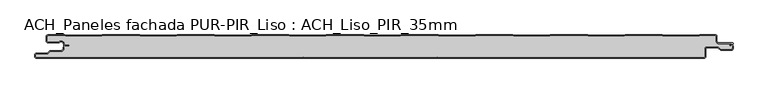
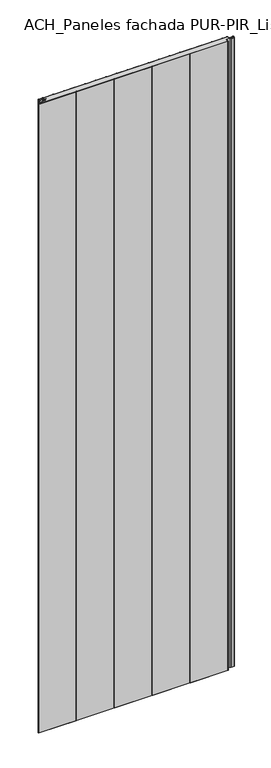
"""IFC4 building model written with IfcOpenShell, lengths in millimetres: plate geometry, ACH_Paneles fachada PUR-PIR_Liso : ACH_Liso_PIR_35mm."""

import ifcopenshell
import ifcopenshell.guid

model = None  # the IFC model being written
_history = None  # IfcOwnerHistory: only IFC2X3 demands one
_inside = {}  # id of a spatial element -> (the spatial element, [elements in it])
_under = {}  # id of a project, library or spatial element -> (it, [spatial elements below it])
_declared = {}  # id of a project -> (the project, [libraries it declares])
_typed = {}  # id of a type object -> (the type object, [elements of that type])
_made_of = {}  # id of a material, layer set ... -> (it, [elements and type objects made of it])


def new_model(schema):
    """Start an empty IFC model of exactly this schema.

    Asked for "IFC4X3", IfcOpenShell would pick the latest addendum, in which some entities
    have other attributes; the version numbers below select the first issue.
    IFC2X3 requires an IfcOwnerHistory on every rooted entity: one is made here for all.
    """
    global model, _history
    if schema == "IFC4X3":
        model = ifcopenshell.file(schema_version=(4, 3, 0, 0))
    else:
        model = ifcopenshell.file(schema=schema)
    _inside.clear()
    _under.clear()
    _declared.clear()
    _typed.clear()
    _made_of.clear()
    _history = None
    if model.schema == "IFC2X3":
        org = make("IfcOrganization", Name="unknown")
        user = make(
            "IfcPersonAndOrganization",
            ThePerson=make("IfcPerson", FamilyName="unknown"),
            TheOrganization=org,
        )
        app = make(
            "IfcApplication",
            ApplicationDeveloper=org,
            Version="unknown",
            ApplicationFullName="unknown",
            ApplicationIdentifier="unknown",
        )
        _history = make(
            "IfcOwnerHistory",
            OwningUser=user,
            OwningApplication=app,
            ChangeAction="ADDED",
            CreationDate=0,
        )
    return model


def make(cls, **values):
    """One entity of the class cls with the attributes given. An attribute that is None is left unset."""
    return model.create_entity(
        cls, **{name: value for name, value in values.items() if value is not None}
    )


def rooted(cls, **values):
    """An entity with a GlobalId (a new one), such as an element, a storey or a relation."""
    return make(cls, GlobalId=ifcopenshell.guid.new(), OwnerHistory=_history, **values)


def si_unit(unit_type, name, prefix=None):
    """IfcSIUnit, for example si_unit("LENGTHUNIT", "METRE", prefix="MILLI")."""
    return make("IfcSIUnit", UnitType=unit_type, Prefix=prefix, Name=name)


def assignment(units):
    """IfcUnitAssignment: the units of a project."""
    return None if units is None else make("IfcUnitAssignment", Units=units)


def point(xyz):
    """IfcCartesianPoint."""
    return None if xyz is None else make("IfcCartesianPoint", Coordinates=xyz)


def direction(xyz):
    """IfcDirection."""
    return None if xyz is None else make("IfcDirection", DirectionRatios=xyz)


def frame(location, z_axis=None, x_axis=None):
    """IfcAxis2Placement3D, a coordinate frame: its origin and axes. An axis left out is left unset."""
    return make(
        "IfcAxis2Placement3D",
        Location=point(location),
        Axis=direction(z_axis),
        RefDirection=direction(x_axis),
    )


def frame_2d(location, x_axis=None):
    """IfcAxis2Placement2D, a coordinate frame in the plane: its origin and x axis."""
    return make(
        "IfcAxis2Placement2D", Location=point(location), RefDirection=direction(x_axis)
    )


def origin():
    """The frame at (0, 0, 0) with its axes left unset."""
    return frame((0.0, 0.0, 0.0))


def origin_with_axes():
    """The frame at (0, 0, 0) with the z axis (0, 0, 1) and the x axis (1, 0, 0) written out."""
    return frame((0.0, 0.0, 0.0), z_axis=(0.0, 0.0, 1.0), x_axis=(1.0, 0.0, 0.0))


def place(relative_to, where):
    """IfcLocalPlacement: puts the frame where relative to a parent placement (None: the world)."""
    return make(
        "IfcLocalPlacement", PlacementRelTo=relative_to, RelativePlacement=where
    )


def context(
    kind, dimensions, precision=None, world=None, true_north=None, identifier=None
):
    """IfcGeometricRepresentationContext, for example the 3D "Model" context."""
    return make(
        "IfcGeometricRepresentationContext",
        ContextIdentifier=identifier,
        ContextType=kind,
        CoordinateSpaceDimension=dimensions,
        Precision=precision,
        WorldCoordinateSystem=world,
        TrueNorth=true_north,
    )


def project(units=None, contexts=None):
    """IfcProject with its units and contexts."""
    return rooted(
        "IfcProject",
        Name="project",
        RepresentationContexts=contexts,
        UnitsInContext=assignment(units),
    )


def spatial(cls, under=None, at=None, **own):
    """A site, building, storey or space (cls), placed at a placement, below another one or the project."""
    s = rooted(cls, ObjectPlacement=at, **own)
    if under is not None:
        _under.setdefault(under.id(), (under, []))[1].append(s)
    return s


def polyline(points):
    """IfcPolyline through the points."""
    return make("IfcPolyline", Points=[point(p) for p in points])


def circle_curve(where, radius):
    """IfcCircle in the frame where."""
    return make("IfcCircle", Position=where, Radius=radius)


def trimmed(basis, trim1, trim2, sense, master):
    """IfcTrimmedCurve: the piece of a basis curve between two trims."""
    return make(
        "IfcTrimmedCurve",
        BasisCurve=basis,
        Trim1=trim1,
        Trim2=trim2,
        SenseAgreement=sense,
        MasterRepresentation=master,
    )


def segment(curve, same_sense, transition):
    """IfcCompositeCurveSegment."""
    return make(
        "IfcCompositeCurveSegment",
        Transition=transition,
        SameSense=same_sense,
        ParentCurve=curve,
    )


def composite_curve(segments, self_intersect=None):
    """IfcCompositeCurve: segments joined end to end."""
    return make("IfcCompositeCurve", Segments=segments, SelfIntersect=self_intersect)


def outline(outer, holes=None, kind="AREA"):
    """IfcArbitraryClosedProfileDef: a profile drawn as a closed curve; with holes, ...WithVoids."""
    if holes is None:
        return make("IfcArbitraryClosedProfileDef", ProfileType=kind, OuterCurve=outer)
    return make(
        "IfcArbitraryProfileDefWithVoids",
        ProfileType=kind,
        OuterCurve=outer,
        InnerCurves=holes,
    )


def extrude(swept, where, along, depth):
    """IfcExtrudedAreaSolid: the profile swept, set in the frame where, extruded along a direction by depth."""
    return make(
        "IfcExtrudedAreaSolid",
        SweptArea=swept,
        Position=where,
        ExtrudedDirection=direction(along),
        Depth=depth,
    )


def shape(context_of_items, identifier, shape_type, items):
    """IfcShapeRepresentation: the items that make up one representation, for example the "Body"."""
    return make(
        "IfcShapeRepresentation",
        ContextOfItems=context_of_items,
        RepresentationIdentifier=identifier,
        RepresentationType=shape_type,
        Items=items,
    )


def source(mapping_origin, context_of_items, identifier, shape_type, items):
    """IfcRepresentationMap: a shape defined once, which mapped items show again and again."""
    return make(
        "IfcRepresentationMap",
        MappingOrigin=mapping_origin,
        MappedRepresentation=shape(context_of_items, identifier, shape_type, items),
    )


def transform(
    local_origin,
    x_axis=None,
    y_axis=None,
    z_axis=None,
    scale=None,
    scale2=None,
    scale3=None,
    uniform=True,
):
    """IfcCartesianTransformationOperator3D, or its non-uniform kind. x_axis, y_axis, z_axis: its Axis1, 2, 3."""
    if uniform:
        return make(
            "IfcCartesianTransformationOperator3D",
            Axis1=direction(x_axis),
            Axis2=direction(y_axis),
            LocalOrigin=point(local_origin),
            Scale=scale,
            Axis3=direction(z_axis),
        )
    return make(
        "IfcCartesianTransformationOperator3DnonUniform",
        Axis1=direction(x_axis),
        Axis2=direction(y_axis),
        LocalOrigin=point(local_origin),
        Scale=scale,
        Axis3=direction(z_axis),
        Scale2=scale2,
        Scale3=scale3,
    )


def mapped(mapping_source, mapping_target):
    """IfcMappedItem: shows the shape of a source again, moved by a transform."""
    return make(
        "IfcMappedItem", MappingSource=mapping_source, MappingTarget=mapping_target
    )


def made_of(thing, what):
    """Note that an element or type object is made of a material, layer set ...; save() writes the relation."""
    if what is not None:
        _made_of.setdefault(what.id(), (what, []))[1].append(thing)
    return thing


def element(
    cls,
    number,
    at=None,
    inside=None,
    cuts=None,
    type_object=None,
    material=None,
    context=None,
    identifier="Body",
    shape_type=None,
    held_by="IfcProductDefinitionShape",
    body=None,
    shapes=None,
    **own,
):
    """One element of the class cls, such as IfcWall. Its Tag is "e" and its number.

    at: its placement. inside: the storey or other place that contains it. cuts: it is an
    opening in that element (IfcRelVoidsElement). A single representation is given by context,
    identifier, shape_type and body (its items); several are given by shapes. held_by: the class
    of the entity that holds the representations. save() writes the other relations.
    """
    e = rooted(cls, Tag="e%d" % number, ObjectPlacement=at, **own)
    if body is not None:
        shapes = [shape(context, identifier, shape_type, body)]
    if shapes is not None:
        e.Representation = make(held_by, Representations=shapes)
    if inside is not None:
        _inside.setdefault(inside.id(), (inside, []))[1].append(e)
    if cuts is not None:
        rooted(
            "IfcRelVoidsElement", RelatingBuildingElement=cuts, RelatedOpeningElement=e
        )
    if type_object is not None:
        _typed.setdefault(type_object.id(), (type_object, []))[1].append(e)
    return made_of(e, material)


def aggregate(whole, parts):
    """IfcRelAggregates: a whole, such as a stair, and the parts it consists of."""
    return rooted("IfcRelAggregates", RelatingObject=whole, RelatedObjects=parts)


def save(model, path):
    """Write the relations noted so far, then the file.

    IfcRelAggregates (storeys below a building ...), IfcRelContainedInSpatialStructure (elements
    in a storey), IfcRelDefinesByType, IfcRelAssociatesMaterial and IfcRelDeclares: one each for
    every whole, place, type object, material and project.
    """
    for whole, parts in _under.values():
        aggregate(whole, parts)
    for where, things in _inside.values():
        rooted(
            "IfcRelContainedInSpatialStructure",
            RelatedElements=things,
            RelatingStructure=where,
        )
    for kind, things in _typed.values():
        rooted("IfcRelDefinesByType", RelatedObjects=things, RelatingType=kind)
    for what, things in _made_of.values():
        rooted("IfcRelAssociatesMaterial", RelatedObjects=things, RelatingMaterial=what)
    for by, libraries in _declared.values():
        rooted("IfcRelDeclares", RelatingContext=by, RelatedDefinitions=libraries)
    model.write(path)


def ach_paneles_fachada_pur_pir_liso_ach_liso_pir_35mm_45ba4f77(model_context):
    return source(origin(), model_context, "Body", "SweptSolid", [
        extrude(outline(composite_curve([segment(trimmed(circle_curve(frame_2d((-514.5, -32.5)), 2.5), [point((-514.5, -35.0))], [point((-517.0, -32.5))], False, "CARTESIAN"), True, "CONTINUOUS"), segment(polyline([(-517.0, -32.5), (-517.0, -29.5)]), True, "CONTINUOUS"), segment(trimmed(circle_curve(frame_2d((-514.5, -29.5)), 2.5), [point((-517.0, -29.5))], [point((-514.5, -27.0))], False, "CARTESIAN"), True, "CONTINUOUS"), segment(polyline([(-514.5, -27.0), (-498.5, -27.0), (-494.75, -23.25), (-477.0, -23.25)]), True, "CONTINUOUS"), segment(trimmed(circle_curve(frame_2d((-477.0, -21.25)), 2.0), [point((-477.0, -23.25))], [point((-475.0, -21.25))], True, "CARTESIAN"), True, "CONTINUOUS"), segment(polyline([(-475.0, -21.25), (-475.0, -18.25), (-474.2, -18.25), (-474.2, -21.25)]), True, "CONTINUOUS"), segment(trimmed(circle_curve(frame_2d((-477.0, -21.25)), 2.8), [point((-474.2, -21.25))], [point((-477.0, -24.05))], False, "CARTESIAN"), True, "CONTINUOUS"), segment(polyline([(-477.0, -24.05), (-494.4186292, -24.05), (-498.1686292, -27.8), (-514.5, -27.8)]), True, "CONTINUOUS"), segment(trimmed(circle_curve(frame_2d((-514.5, -29.5)), 1.7), [point((-514.5, -27.8))], [point((-516.2, -29.5))], True, "CARTESIAN"), True, "CONTINUOUS"), segment(polyline([(-516.2, -29.5), (-516.2, -32.5)]), True, "CONTINUOUS"), segment(trimmed(circle_curve(frame_2d((-514.5, -32.5)), 1.7), [point((-516.2, -32.5))], [point((-514.5, -34.2))], True, "CARTESIAN"), True, "CONTINUOUS"), segment(polyline([(-514.5, -34.2), (480.5, -34.2)]), True, "CONTINUOUS"), segment(trimmed(circle_curve(frame_2d((480.5, -32.5)), 1.7), [point((480.5, -34.2))], [point((482.2, -32.5))], True, "CARTESIAN"), True, "CONTINUOUS"), segment(polyline([(482.2, -32.5), (482.2, -21.0)]), True, "CONTINUOUS"), segment(trimmed(circle_curve(frame_2d((485.0, -21.0)), 2.8), [point((482.2, -21.0))], [point((485.0, -18.2))], False, "CARTESIAN"), True, "CONTINUOUS"), segment(polyline([(485.0, -18.2), (501.7886271, -18.2), (505.8492873, -21.95), (521.5, -21.95)]), True, "CONTINUOUS"), segment(trimmed(circle_curve(frame_2d((521.5, -20.25)), 1.7), [point((521.5, -21.95))], [point((523.2, -20.25))], True, "CARTESIAN"), True, "CONTINUOUS"), segment(polyline([(523.2, -20.25), (523.2, -16.75), (524.0, -16.75), (524.0, -20.25)]), True, "CONTINUOUS"), segment(trimmed(circle_curve(frame_2d((521.5, -20.25)), 2.5), [point((524.0, -20.25))], [point((521.5, -22.75))], False, "CARTESIAN"), True, "CONTINUOUS"), segment(polyline([(521.5, -22.75), (505.5363961, -22.75), (501.4757359, -19.0), (485.0, -19.0)]), True, "CONTINUOUS"), segment(trimmed(circle_curve(frame_2d((485.0, -21.0)), 2.0), [point((485.0, -19.0))], [point((483.0, -21.0))], True, "CARTESIAN"), True, "CONTINUOUS"), segment(polyline([(483.0, -21.0), (483.0, -32.5)]), True, "CONTINUOUS"), segment(trimmed(circle_curve(frame_2d((480.5, -32.5)), 2.5), [point((483.0, -32.5))], [point((480.5, -35.0))], False, "CARTESIAN"), True, "CONTINUOUS"), segment(polyline([(480.5, -35.0), (-514.5, -35.0)]), True, "CONTINUOUS")], self_intersect=False)), origin_with_axes(), (0.0, 0.0, 1.0), 3500.0),
        extrude(outline(composite_curve([segment(trimmed(circle_curve(frame_2d((-497.49499, -9.0180361)), 2.50501), [point((-497.49499, -11.5230461))], [point((-500.0, -9.0180361))], False, "CARTESIAN"), True, "CONTINUOUS"), segment(polyline([(-500.0, -9.0180361), (-500.0, -2.50501)]), True, "CONTINUOUS"), segment(trimmed(circle_curve(frame_2d((-497.49499, -2.50501)), 2.50501), [point((-500.0, -2.50501))], [point((-497.49499, 0.0))], False, "CARTESIAN"), True, "CONTINUOUS"), segment(polyline([(-497.49499, 0.0), (-472.2103007, 0.0), (-471.028188, -0.6012024), (-417.6391467, -0.6012024), (-416.457034, 0.0), (-360.8776353, 0.0), (-359.6955227, -0.6012024), (-306.3064814, -0.6012024), (-305.1243687, 0.0), (-249.54497, 0.0), (-248.3628573, -0.6012024), (-194.973816, -0.6012024), (-193.7917033, 0.0), (-138.2123047, 0.0), (-137.030192, -0.6012024), (-83.6411507, -0.6012024), (-82.459038, 0.0), (-26.8796393, 0.0), (-25.6975267, -0.6012024), (27.6915146, -0.6012024), (28.8736273, 0.0), (84.453026, 0.0), (85.6351387, -0.6012024), (139.02418, -0.6012024), (140.2062927, 0.0), (195.7856913, 0.0), (196.967804, -0.6012024), (250.3568453, -0.6012024), (251.538958, 0.0), (307.1183566, 0.0), (308.3004693, -0.6012024), (361.6895106, -0.6012024), (362.8716233, 0.0), (418.451022, 0.0), (419.6331347, -0.6012024), (473.022176, -0.6012024), (474.2042886, 0.0), (497.49499, 0.0)]), True, "CONTINUOUS"), segment(trimmed(circle_curve(frame_2d((497.49499, -2.50501)), 2.50501), [point((497.49499, 0.0))], [point((500.0, -2.50501))], False, "CARTESIAN"), True, "CONTINUOUS"), segment(polyline([(500.0, -2.50501), (500.0, -10.0200401)]), True, "CONTINUOUS"), segment(trimmed(circle_curve(frame_2d((502.004008, -10.0200401)), 2.004008), [point((500.0, -10.0200401))], [point((502.004008, -12.0240481))], True, "CARTESIAN"), True, "CONTINUOUS"), segment(polyline([(502.004008, -12.0240481), (522.96027, -12.0240481)]), True, "CONTINUOUS"), segment(trimmed(circle_curve(frame_2d((522.96027, -13.0490481)), 1.025), [point((522.96027, -12.0240481))], [point((523.47277, -13.9367241))], False, "CARTESIAN"), True, "CONTINUOUS"), segment(polyline([(523.47277, -13.9367241), (519.5390782, -16.2078422), (519.1390782, -15.5150218), (522.183956, -13.7570608)]), True, "CONTINUOUS"), segment(trimmed(circle_curve(frame_2d((521.933956, -13.3240481)), 0.5), [point((522.183956, -13.7570608))], [point((521.933956, -12.8240481))], True, "CARTESIAN"), True, "CONTINUOUS"), segment(polyline([(521.933956, -12.8240481), (502.004008, -12.8240481)]), True, "CONTINUOUS"), segment(trimmed(circle_curve(frame_2d((502.004008, -10.0200401)), 2.804008), [point((502.004008, -12.8240481))], [point((499.2, -10.0200401))], False, "CARTESIAN"), True, "CONTINUOUS"), segment(polyline([(499.2, -10.0200401), (499.2, -2.50501)]), True, "CONTINUOUS"), segment(trimmed(circle_curve(frame_2d((497.49499, -2.50501)), 1.70501), [point((499.2, -2.50501))], [point((497.49499, -0.8))], True, "CARTESIAN"), True, "CONTINUOUS"), segment(polyline([(497.49499, -0.8), (474.396035, -0.8), (473.2139223, -1.4012024), (419.4413883, -1.4012024), (418.2592756, -0.8), (363.0633697, -0.8), (361.881257, -1.4012024), (308.108723, -1.4012024), (306.9266103, -0.8), (251.7307044, -0.8), (250.5485917, -1.4012024), (196.7760576, -1.4012024), (195.5939449, -0.8), (140.398039, -0.8), (139.2159263, -1.4012024), (85.4433923, -1.4012024), (84.2612796, -0.8), (29.0653737, -0.8), (27.883261, -1.4012024), (-25.889273, -1.4012024), (-27.0713857, -0.8), (-82.2672916, -0.8), (-83.4494043, -1.4012024), (-137.2219384, -1.4012024), (-138.4040511, -0.8), (-193.599957, -0.8), (-194.7820696, -1.4012024), (-248.5546037, -1.4012024), (-249.7367164, -0.8), (-304.9326223, -0.8), (-306.114735, -1.4012024), (-359.887269, -1.4012024), (-361.0693817, -0.8), (-416.2652876, -0.8), (-417.4474003, -1.4012024), (-471.2199344, -1.4012024), (-472.4020471, -0.8), (-497.49499, -0.8)]), True, "CONTINUOUS"), segment(trimmed(circle_curve(frame_2d((-497.49499, -2.50501)), 1.70501), [point((-497.49499, -0.8))], [point((-499.2, -2.50501))], True, "CARTESIAN"), True, "CONTINUOUS"), segment(polyline([(-499.2, -2.50501), (-499.2, -9.0180361)]), True, "CONTINUOUS"), segment(trimmed(circle_curve(frame_2d((-497.49499, -9.0180361)), 1.70501), [point((-499.2, -9.0180361))], [point((-497.49499, -10.7230461))], True, "CARTESIAN"), True, "CONTINUOUS"), segment(polyline([(-497.49499, -10.7230461), (-481.8173283, -10.7230461)]), True, "CONTINUOUS"), segment(trimmed(circle_curve(frame_2d((-481.8173283, -9.0180361)), 1.70501), [point((-481.8173283, -10.7230461))], [point((-480.6895701, -10.2967936))], True, "CARTESIAN"), True, "CONTINUOUS"), segment(trimmed(circle_curve(frame_2d((-477.8407481, -13.5270541)), 4.307014), [point((-480.6895701, -10.2967936))], [point((-473.7934788, -12.0539686))], False, "CARTESIAN"), True, "CONTINUOUS"), segment(polyline([(-473.7934788, -12.0539686), (-473.0450711, -14.1102019)]), True, "CONTINUOUS"), segment(trimmed(circle_curve(frame_2d((-471.4428858, -13.5270541)), 1.70501), [point((-473.0450711, -14.1102019))], [point((-471.4428858, -15.2320641))], True, "CARTESIAN"), True, "CONTINUOUS"), segment(polyline([(-471.4428858, -15.2320641), (-466.4328657, -15.2320641), (-466.4328657, -16.0320641), (-471.4428858, -16.0320641)]), True, "CONTINUOUS"), segment(trimmed(circle_curve(frame_2d((-471.4428858, -13.5270541)), 2.50501), [point((-471.4428858, -16.0320641))], [point((-473.7968252, -14.383818))], False, "CARTESIAN"), True, "CONTINUOUS"), segment(polyline([(-473.7968252, -14.383818), (-474.5452329, -12.3275847)]), True, "CONTINUOUS"), segment(trimmed(circle_curve(frame_2d((-477.8407481, -13.5270541)), 3.507014), [point((-474.5452329, -12.3275847))], [point((-480.1604199, -10.8967936))], True, "CARTESIAN"), True, "CONTINUOUS"), segment(trimmed(circle_curve(frame_2d((-481.8173283, -9.0180361)), 2.50501), [point((-480.1604199, -10.8967936))], [point((-481.8173283, -11.5230461))], False, "CARTESIAN"), True, "CONTINUOUS"), segment(polyline([(-481.8173283, -11.5230461), (-497.49499, -11.5230461)]), True, "CONTINUOUS")], self_intersect=False)), origin_with_axes(), (0.0, 0.0, 1.0), 3500.0),
        extrude(outline(composite_curve([segment(polyline([(523.2, -12.8240481), (523.2, -20.25)]), True, "CONTINUOUS"), segment(trimmed(circle_curve(frame_2d((521.5, -20.25)), 1.7), [point((523.2, -20.25))], [point((521.5, -21.95))], False, "CARTESIAN"), True, "CONTINUOUS"), segment(polyline([(521.5, -21.95), (505.8492873, -21.95), (501.7886271, -18.2), (485.0, -18.2)]), True, "CONTINUOUS"), segment(trimmed(circle_curve(frame_2d((485.0, -21.0)), 2.8), [point((485.0, -18.2))], [point((482.2, -21.0))], True, "CARTESIAN"), True, "CONTINUOUS"), segment(polyline([(482.2, -21.0), (482.2, -32.5)]), True, "CONTINUOUS"), segment(trimmed(circle_curve(frame_2d((480.5, -32.5)), 1.7), [point((482.2, -32.5))], [point((480.5, -34.2))], False, "CARTESIAN"), True, "CONTINUOUS"), segment(polyline([(480.5, -34.2), (285.5, -34.2)]), True, "CONTINUOUS"), segment(trimmed(circle_curve(frame_2d((285.5, -32.5)), 1.7), [point((285.5, -34.2))], [point((284.0845596, -33.4415563))], False, "CARTESIAN"), True, "CONTINUOUS"), segment(trimmed(circle_curve(frame_2d((283.0, -34.1630095)), 1.302599), [point((284.0845596, -33.4415563))], [point((281.9154404, -33.4415563))], True, "CARTESIAN"), True, "CONTINUOUS"), segment(trimmed(circle_curve(frame_2d((280.5, -32.5)), 1.7), [point((281.9154404, -33.4415563))], [point((280.5, -34.2))], False, "CARTESIAN"), True, "CONTINUOUS"), segment(polyline([(280.5, -34.2), (85.5, -34.2)]), True, "CONTINUOUS"), segment(trimmed(circle_curve(frame_2d((85.5, -32.5)), 1.7), [point((85.5, -34.2))], [point((84.0845596, -33.4415563))], False, "CARTESIAN"), True, "CONTINUOUS"), segment(trimmed(circle_curve(frame_2d((83.0, -34.1630095)), 1.302599), [point((84.0845596, -33.4415563))], [point((81.9154404, -33.4415563))], True, "CARTESIAN"), True, "CONTINUOUS"), segment(trimmed(circle_curve(frame_2d((80.5, -32.5)), 1.7), [point((81.9154404, -33.4415563))], [point((80.5, -34.2))], False, "CARTESIAN"), True, "CONTINUOUS"), segment(polyline([(80.5, -34.2), (-114.5, -34.2)]), True, "CONTINUOUS"), segment(trimmed(circle_curve(frame_2d((-114.5, -32.5)), 1.7), [point((-114.5, -34.2))], [point((-115.9154404, -33.4415563))], False, "CARTESIAN"), True, "CONTINUOUS"), segment(trimmed(circle_curve(frame_2d((-117.0, -34.1630095)), 1.302599), [point((-115.9154404, -33.4415563))], [point((-118.0845596, -33.4415563))], True, "CARTESIAN"), True, "CONTINUOUS"), segment(trimmed(circle_curve(frame_2d((-119.5, -32.5)), 1.7), [point((-118.0845596, -33.4415563))], [point((-119.5, -34.2))], False, "CARTESIAN"), True, "CONTINUOUS"), segment(polyline([(-119.5, -34.2), (-314.5, -34.2)]), True, "CONTINUOUS"), segment(trimmed(circle_curve(frame_2d((-314.5, -32.5)), 1.7), [point((-314.5, -34.2))], [point((-315.9154404, -33.4415563))], False, "CARTESIAN"), True, "CONTINUOUS"), segment(trimmed(circle_curve(frame_2d((-317.0, -34.1630095)), 1.302599), [point((-315.9154404, -33.4415563))], [point((-318.0845596, -33.4415563))], True, "CARTESIAN"), True, "CONTINUOUS"), segment(trimmed(circle_curve(frame_2d((-319.5, -32.5)), 1.7), [point((-318.0845596, -33.4415563))], [point((-319.5, -34.2))], False, "CARTESIAN"), True, "CONTINUOUS"), segment(polyline([(-319.5, -34.2), (-514.5, -34.2)]), True, "CONTINUOUS"), segment(trimmed(circle_curve(frame_2d((-514.5, -32.5)), 1.7), [point((-514.5, -34.2))], [point((-516.2, -32.5))], False, "CARTESIAN"), True, "CONTINUOUS"), segment(polyline([(-516.2, -32.5), (-516.2, -29.5)]), True, "CONTINUOUS"), segment(trimmed(circle_curve(frame_2d((-514.5, -29.5)), 1.7), [point((-516.2, -29.5))], [point((-514.5, -27.8))], False, "CARTESIAN"), True, "CONTINUOUS"), segment(polyline([(-514.5, -27.8), (-498.1686292, -27.8), (-494.4186292, -24.05), (-477.0, -24.05)]), True, "CONTINUOUS"), segment(trimmed(circle_curve(frame_2d((-477.0, -21.25)), 2.8), [point((-477.0, -24.05))], [point((-474.2, -21.25))], True, "CARTESIAN"), True, "CONTINUOUS"), segment(polyline([(-474.2, -21.25), (-474.2, -11.2258973)]), True, "CONTINUOUS"), segment(trimmed(circle_curve(frame_2d((-477.8407481, -13.5270541)), 4.307014), [point((-474.2, -11.2258973))], [point((-480.6895701, -10.2967936))], True, "CARTESIAN"), True, "CONTINUOUS"), segment(trimmed(circle_curve(frame_2d((-481.8173283, -9.0180361)), 1.70501), [point((-480.6895701, -10.2967936))], [point((-481.8173283, -10.7230461))], False, "CARTESIAN"), True, "CONTINUOUS"), segment(polyline([(-481.8173283, -10.7230461), (-497.49499, -10.7230461)]), True, "CONTINUOUS"), segment(trimmed(circle_curve(frame_2d((-497.49499, -9.0180361)), 1.70501), [point((-497.49499, -10.7230461))], [point((-499.2, -9.0180361))], False, "CARTESIAN"), True, "CONTINUOUS"), segment(polyline([(-499.2, -9.0180361), (-499.2, -2.50501)]), True, "CONTINUOUS"), segment(trimmed(circle_curve(frame_2d((-497.49499, -2.50501)), 1.70501), [point((-499.2, -2.50501))], [point((-497.49499, -0.8))], False, "CARTESIAN"), True, "CONTINUOUS"), segment(polyline([(-497.49499, -0.8), (-472.4020471, -0.8), (-471.2199344, -1.4012024), (-417.4474003, -1.4012024), (-416.2652876, -0.8), (-361.0693817, -0.8), (-359.887269, -1.4012024), (-306.114735, -1.4012024), (-304.9326223, -0.8), (-249.7367164, -0.8), (-248.5546037, -1.4012024), (-194.7820696, -1.4012024), (-193.599957, -0.8), (-138.4040511, -0.8), (-137.2219384, -1.4012024), (-83.4494043, -1.4012024), (-82.2672916, -0.8), (-27.0713857, -0.8), (-25.889273, -1.4012024), (27.883261, -1.4012024), (29.0653737, -0.8), (84.2612796, -0.8), (85.4433923, -1.4012024), (139.2159263, -1.4012024), (140.398039, -0.8), (195.5939449, -0.8), (196.7760576, -1.4012024), (250.5485917, -1.4012024), (251.7307044, -0.8), (306.9266103, -0.8), (308.108723, -1.4012024), (361.881257, -1.4012024), (363.0633697, -0.8), (418.2592756, -0.8), (419.4413883, -1.4012024), (473.2139223, -1.4012024), (474.396035, -0.8), (497.49499, -0.8)]), True, "CONTINUOUS"), segment(trimmed(circle_curve(frame_2d((497.49499, -2.50501)), 1.70501), [point((497.49499, -0.8))], [point((499.2, -2.50501))], False, "CARTESIAN"), True, "CONTINUOUS"), segment(polyline([(499.2, -2.50501), (499.2, -10.0200401)]), True, "CONTINUOUS"), segment(trimmed(circle_curve(frame_2d((502.004008, -10.0200401)), 2.804008), [point((499.2, -10.0200401))], [point((502.004008, -12.8240481))], True, "CARTESIAN"), True, "CONTINUOUS"), segment(polyline([(502.004008, -12.8240481), (523.2, -12.8240481)]), True, "CONTINUOUS")], self_intersect=False)), origin_with_axes(), (0.0, 0.0, 1.0), 3500.0),
    ])


if __name__ == "__main__":
    model = new_model("IFC4")
    model_context = context("Model", 3, world=origin())
    ifc_project = project(units=[si_unit("LENGTHUNIT", "METRE", prefix="MILLI")], contexts=[model_context])
    site = spatial("IfcSite", under=ifc_project)
    building = spatial("IfcBuilding", under=site)
    placement = place(None, origin())
    ach_paneles_fachada_pur_pir_liso_ach_liso_pir_35mm_shape = ach_paneles_fachada_pur_pir_liso_ach_liso_pir_35mm_45ba4f77(model_context)
    element("IfcPlate", 1, ObjectType="ACH_Paneles fachada PUR-PIR_Liso : ACH_Liso_PIR_35mm", at=placement, inside=building, context=model_context, shape_type="MappedRepresentation", body=[
        mapped(ach_paneles_fachada_pur_pir_liso_ach_liso_pir_35mm_shape, transform((0.0, 0.0, 0.0), x_axis=(1.0, 0.0, 0.0), y_axis=(0.0, 1.0, 0.0), z_axis=(0.0, 0.0, 1.0))),
    ])
    save(model, "model.ifc")
